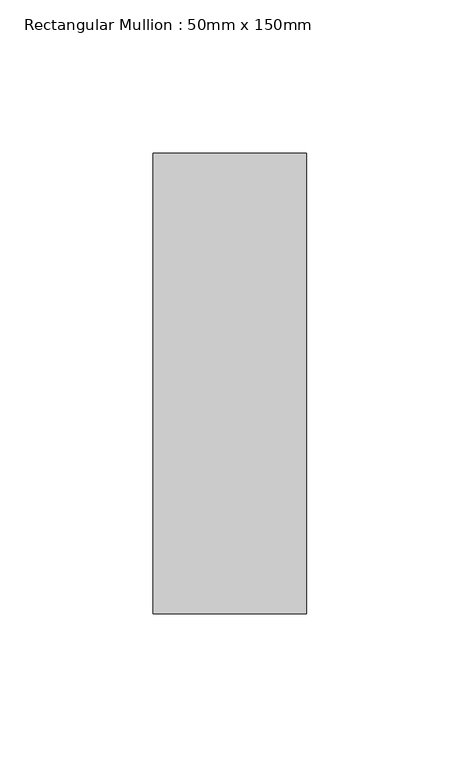
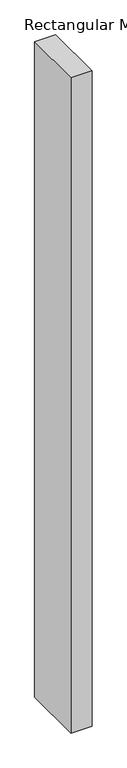
"""IFC4 building model written with IfcOpenShell, lengths in millimetres: member geometry, Rectangular Mullion : 50mm x 150mm."""

import ifcopenshell
import ifcopenshell.guid

model = None  # the IFC model being written
_history = None  # IfcOwnerHistory: only IFC2X3 demands one
_inside = {}  # id of a spatial element -> (the spatial element, [elements in it])
_under = {}  # id of a project, library or spatial element -> (it, [spatial elements below it])
_declared = {}  # id of a project -> (the project, [libraries it declares])
_typed = {}  # id of a type object -> (the type object, [elements of that type])
_made_of = {}  # id of a material, layer set ... -> (it, [elements and type objects made of it])


def new_model(schema):
    """Start an empty IFC model of exactly this schema.

    Asked for "IFC4X3", IfcOpenShell would pick the latest addendum, in which some entities
    have other attributes; the version numbers below select the first issue.
    IFC2X3 requires an IfcOwnerHistory on every rooted entity: one is made here for all.
    """
    global model, _history
    if schema == "IFC4X3":
        model = ifcopenshell.file(schema_version=(4, 3, 0, 0))
    else:
        model = ifcopenshell.file(schema=schema)
    _inside.clear()
    _under.clear()
    _declared.clear()
    _typed.clear()
    _made_of.clear()
    _history = None
    if model.schema == "IFC2X3":
        org = make("IfcOrganization", Name="unknown")
        user = make(
            "IfcPersonAndOrganization",
            ThePerson=make("IfcPerson", FamilyName="unknown"),
            TheOrganization=org,
        )
        app = make(
            "IfcApplication",
            ApplicationDeveloper=org,
            Version="unknown",
            ApplicationFullName="unknown",
            ApplicationIdentifier="unknown",
        )
        _history = make(
            "IfcOwnerHistory",
            OwningUser=user,
            OwningApplication=app,
            ChangeAction="ADDED",
            CreationDate=0,
        )
    return model


def make(cls, **values):
    """One entity of the class cls with the attributes given. An attribute that is None is left unset."""
    return model.create_entity(
        cls, **{name: value for name, value in values.items() if value is not None}
    )


def rooted(cls, **values):
    """An entity with a GlobalId (a new one), such as an element, a storey or a relation."""
    return make(cls, GlobalId=ifcopenshell.guid.new(), OwnerHistory=_history, **values)


def si_unit(unit_type, name, prefix=None):
    """IfcSIUnit, for example si_unit("LENGTHUNIT", "METRE", prefix="MILLI")."""
    return make("IfcSIUnit", UnitType=unit_type, Prefix=prefix, Name=name)


def assignment(units):
    """IfcUnitAssignment: the units of a project."""
    return None if units is None else make("IfcUnitAssignment", Units=units)


def point(xyz):
    """IfcCartesianPoint."""
    return None if xyz is None else make("IfcCartesianPoint", Coordinates=xyz)


def direction(xyz):
    """IfcDirection."""
    return None if xyz is None else make("IfcDirection", DirectionRatios=xyz)


def frame(location, z_axis=None, x_axis=None):
    """IfcAxis2Placement3D, a coordinate frame: its origin and axes. An axis left out is left unset."""
    return make(
        "IfcAxis2Placement3D",
        Location=point(location),
        Axis=direction(z_axis),
        RefDirection=direction(x_axis),
    )


def origin():
    """The frame at (0, 0, 0) with its axes left unset."""
    return frame((0.0, 0.0, 0.0))


def place(relative_to, where):
    """IfcLocalPlacement: puts the frame where relative to a parent placement (None: the world)."""
    return make(
        "IfcLocalPlacement", PlacementRelTo=relative_to, RelativePlacement=where
    )


def context(
    kind, dimensions, precision=None, world=None, true_north=None, identifier=None
):
    """IfcGeometricRepresentationContext, for example the 3D "Model" context."""
    return make(
        "IfcGeometricRepresentationContext",
        ContextIdentifier=identifier,
        ContextType=kind,
        CoordinateSpaceDimension=dimensions,
        Precision=precision,
        WorldCoordinateSystem=world,
        TrueNorth=true_north,
    )


def project(units=None, contexts=None):
    """IfcProject with its units and contexts."""
    return rooted(
        "IfcProject",
        Name="project",
        RepresentationContexts=contexts,
        UnitsInContext=assignment(units),
    )


def spatial(cls, under=None, at=None, **own):
    """A site, building, storey or space (cls), placed at a placement, below another one or the project."""
    s = rooted(cls, ObjectPlacement=at, **own)
    if under is not None:
        _under.setdefault(under.id(), (under, []))[1].append(s)
    return s


def polyline(points):
    """IfcPolyline through the points."""
    return make("IfcPolyline", Points=[point(p) for p in points])


def outline(outer, holes=None, kind="AREA"):
    """IfcArbitraryClosedProfileDef: a profile drawn as a closed curve; with holes, ...WithVoids."""
    if holes is None:
        return make("IfcArbitraryClosedProfileDef", ProfileType=kind, OuterCurve=outer)
    return make(
        "IfcArbitraryProfileDefWithVoids",
        ProfileType=kind,
        OuterCurve=outer,
        InnerCurves=holes,
    )


def extrude(swept, where, along, depth):
    """IfcExtrudedAreaSolid: the profile swept, set in the frame where, extruded along a direction by depth."""
    return make(
        "IfcExtrudedAreaSolid",
        SweptArea=swept,
        Position=where,
        ExtrudedDirection=direction(along),
        Depth=depth,
    )


def shape(context_of_items, identifier, shape_type, items):
    """IfcShapeRepresentation: the items that make up one representation, for example the "Body"."""
    return make(
        "IfcShapeRepresentation",
        ContextOfItems=context_of_items,
        RepresentationIdentifier=identifier,
        RepresentationType=shape_type,
        Items=items,
    )


def source(mapping_origin, context_of_items, identifier, shape_type, items):
    """IfcRepresentationMap: a shape defined once, which mapped items show again and again."""
    return make(
        "IfcRepresentationMap",
        MappingOrigin=mapping_origin,
        MappedRepresentation=shape(context_of_items, identifier, shape_type, items),
    )


def transform(
    local_origin,
    x_axis=None,
    y_axis=None,
    z_axis=None,
    scale=None,
    scale2=None,
    scale3=None,
    uniform=True,
):
    """IfcCartesianTransformationOperator3D, or its non-uniform kind. x_axis, y_axis, z_axis: its Axis1, 2, 3."""
    if uniform:
        return make(
            "IfcCartesianTransformationOperator3D",
            Axis1=direction(x_axis),
            Axis2=direction(y_axis),
            LocalOrigin=point(local_origin),
            Scale=scale,
            Axis3=direction(z_axis),
        )
    return make(
        "IfcCartesianTransformationOperator3DnonUniform",
        Axis1=direction(x_axis),
        Axis2=direction(y_axis),
        LocalOrigin=point(local_origin),
        Scale=scale,
        Axis3=direction(z_axis),
        Scale2=scale2,
        Scale3=scale3,
    )


def mapped(mapping_source, mapping_target):
    """IfcMappedItem: shows the shape of a source again, moved by a transform."""
    return make(
        "IfcMappedItem", MappingSource=mapping_source, MappingTarget=mapping_target
    )


def made_of(thing, what):
    """Note that an element or type object is made of a material, layer set ...; save() writes the relation."""
    if what is not None:
        _made_of.setdefault(what.id(), (what, []))[1].append(thing)
    return thing


def element(
    cls,
    number,
    at=None,
    inside=None,
    cuts=None,
    type_object=None,
    material=None,
    context=None,
    identifier="Body",
    shape_type=None,
    held_by="IfcProductDefinitionShape",
    body=None,
    shapes=None,
    **own,
):
    """One element of the class cls, such as IfcWall. Its Tag is "e" and its number.

    at: its placement. inside: the storey or other place that contains it. cuts: it is an
    opening in that element (IfcRelVoidsElement). A single representation is given by context,
    identifier, shape_type and body (its items); several are given by shapes. held_by: the class
    of the entity that holds the representations. save() writes the other relations.
    """
    e = rooted(cls, Tag="e%d" % number, ObjectPlacement=at, **own)
    if body is not None:
        shapes = [shape(context, identifier, shape_type, body)]
    if shapes is not None:
        e.Representation = make(held_by, Representations=shapes)
    if inside is not None:
        _inside.setdefault(inside.id(), (inside, []))[1].append(e)
    if cuts is not None:
        rooted(
            "IfcRelVoidsElement", RelatingBuildingElement=cuts, RelatedOpeningElement=e
        )
    if type_object is not None:
        _typed.setdefault(type_object.id(), (type_object, []))[1].append(e)
    return made_of(e, material)


def aggregate(whole, parts):
    """IfcRelAggregates: a whole, such as a stair, and the parts it consists of."""
    return rooted("IfcRelAggregates", RelatingObject=whole, RelatedObjects=parts)


def save(model, path):
    """Write the relations noted so far, then the file.

    IfcRelAggregates (storeys below a building ...), IfcRelContainedInSpatialStructure (elements
    in a storey), IfcRelDefinesByType, IfcRelAssociatesMaterial and IfcRelDeclares: one each for
    every whole, place, type object, material and project.
    """
    for whole, parts in _under.values():
        aggregate(whole, parts)
    for where, things in _inside.values():
        rooted(
            "IfcRelContainedInSpatialStructure",
            RelatedElements=things,
            RelatingStructure=where,
        )
    for kind, things in _typed.values():
        rooted("IfcRelDefinesByType", RelatedObjects=things, RelatingType=kind)
    for what, things in _made_of.values():
        rooted("IfcRelAssociatesMaterial", RelatedObjects=things, RelatingMaterial=what)
    for by, libraries in _declared.values():
        rooted("IfcRelDeclares", RelatingContext=by, RelatedDefinitions=libraries)
    model.write(path)


def rectangular_mullion_50mm_x_150mm_dd00add0(model_context):
    return source(origin(), model_context, "Body", "SweptSolid", [
        extrude(outline(polyline([(25.0, 75.0), (25.0, -75.0), (-25.0, -75.0), (-25.0, 75.0), (25.0, 75.0)])), frame((0.0, 0.0, -1652.9999999), z_axis=(0.0, 0.0, 1.0), x_axis=(1.0, 0.0, 0.0)), (0.0, 0.0, 1.0), 1652.9999999),
    ])


if __name__ == "__main__":
    model = new_model("IFC4")
    model_context = context("Model", 3, world=origin())
    ifc_project = project(units=[si_unit("LENGTHUNIT", "METRE", prefix="MILLI")], contexts=[model_context])
    site = spatial("IfcSite", under=ifc_project)
    building = spatial("IfcBuilding", under=site)
    placement = place(None, origin())
    rectangular_mullion_50mm_x_150mm_shape = rectangular_mullion_50mm_x_150mm_dd00add0(model_context)
    element("IfcMember", 1, ObjectType="Rectangular Mullion : 50mm x 150mm", at=placement, inside=building, context=model_context, shape_type="MappedRepresentation", body=[
        mapped(rectangular_mullion_50mm_x_150mm_shape, transform((0.0, 0.0, 0.0), x_axis=(1.0, 0.0, 0.0), y_axis=(0.0, 1.0, 0.0), z_axis=(0.0, 0.0, 1.0))),
    ])
    save(model, "model.ifc")
